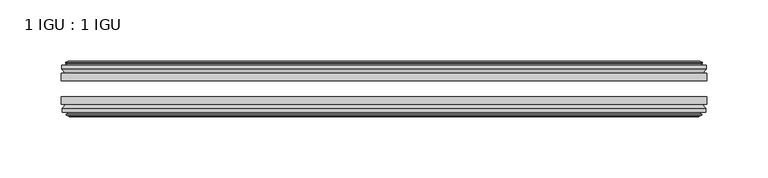
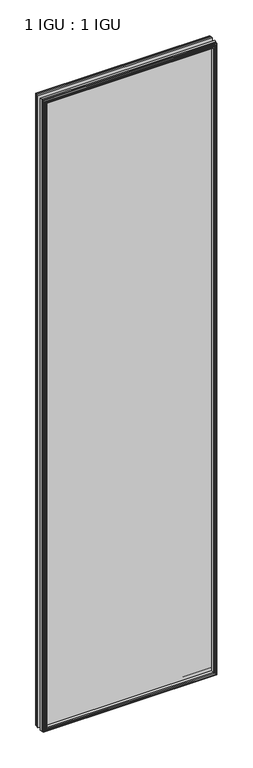
"""IFC4 building model written with IfcOpenShell, lengths in millimetres: plate geometry, 1 IGU : 1 IGU."""

from ifc_helpers import new_model, si_unit, frame, origin, place, context, project, spatial, polyline, outline, extrude, faceted_brep, source, transform, mapped, element, save


def plate_1_igu_1_igu_3f6280bd(model_context):
    return source(origin(), model_context, "Body", "SolidModel", [
        extrude(outline(polyline([(263.5250001, -19.5460937), (263.5250001, -25.8960938), (-263.5250001, -25.8960938), (-263.5250001, -19.5460937), (263.5250001, -19.5460937)])), frame((0.0, 0.0, -12.7), z_axis=(0.0, 0.0, 1.0), x_axis=(1.0, 0.0, 0.0)), (0.0, 0.0, 1.0), 2019.289595),
        extrude(outline(polyline([(-263.5250001, -44.9460938), (-263.5250001, -38.9186737), (263.5250001, -38.9186737), (263.5250001, -44.9460938), (-263.5250001, -44.9460938)])), frame((0.0, 0.0, -12.7), z_axis=(0.0, 0.0, 1.0), x_axis=(1.0, 0.0, 0.0)), (0.0, 0.0, 1.0), 2019.289595),
        faceted_brep([(-257.9370001, -53.6762907, 2001.001595), (-258.3180001, -51.2960937, 2001.382595), (-258.3180001, -51.2960937, -7.493), (-257.9370001, -53.6762907, -7.112), (-259.3525292, -53.2163575, 2002.4171241), (-259.3525292, -53.2163575, -8.5275291), (-259.3525292, -54.0175717, 2002.4171241), (-259.3525292, -54.0175717, -8.5275291), (-257.1750001, -54.7250937, 2000.239595), (-257.1750001, -54.7250937, -6.35), (-254.9974711, -54.0175717, 1998.062066), (-254.9974711, -54.0175717, -4.1724709), (-254.9974711, -53.2163575, 1998.062066), (-254.9974711, -53.2163575, -4.1724709), (-256.4130001, -53.6762907, 1999.477595), (-256.4130001, -53.6762907, -5.588), (-256.0320001, -51.2960937, 1999.096595), (-256.0320001, -51.2960937, -5.207), (-249.1072821, -44.9460937, 1992.171877), (-250.8250001, -51.2960937, 1993.889595), (-250.8250001, -51.2960937, 0.0), (-249.1072821, -44.9460937, 1.7177181), (-262.7630001, -48.3496937, 2005.827595), (-259.928658, -44.9460937, 2002.9932529), (-259.928658, -44.9460937, -9.1036578), (-262.7630001, -48.3496937, -11.938), (-262.7630001, -51.2960937, 2005.827595), (-262.7630001, -51.2960937, -11.938), (258.3180001, -51.2960938, -7.493), (257.9370001, -53.6762907, -7.112), (259.3525292, -53.2163575, -8.5275291), (259.3525292, -54.0175717, -8.5275291), (257.1750001, -54.7250937, -6.35), (254.9974711, -54.0175717, -4.1724709), (254.9974711, -53.2163575, -4.1724709), (256.4130001, -53.6762907, -5.588), (256.0320001, -51.2960937, -5.207), (250.8250001, -51.2960937, 0.0), (249.1072821, -44.9460937, 1.7177181), (259.928658, -44.9460937, -9.1036578), (262.7630001, -48.3496937, -11.938), (262.7630001, -51.2960938, -11.938), (258.3180001, -51.2960938, 2001.382595), (257.9370001, -53.6762907, 2001.001595), (259.3525292, -53.2163575, 2002.4171241), (259.3525292, -54.0175717, 2002.4171241), (257.1750001, -54.7250937, 2000.239595), (254.9974711, -54.0175717, 1998.062066), (254.9974711, -53.2163575, 1998.062066), (256.4130001, -53.6762907, 1999.477595), (256.0320001, -51.2960937, 1999.096595), (250.8250001, -51.2960937, 1993.889595), (249.1072821, -44.9460937, 1992.171877), (259.928658, -44.9460937, 2002.9932529), (262.7630001, -48.3496937, 2005.827595), (262.7630001, -51.2960938, 2005.827595)], [[[0, 1, 2, 3]], [[4, 0, 3, 5]], [[6, 4, 5, 7]], [[8, 6, 7, 9]], [[10, 8, 9, 11]], [[12, 10, 11, 13]], [[14, 12, 13, 15]], [[16, 14, 15, 17]], [[18, 19, 20, 21]], [[22, 23, 24, 25]], [[26, 22, 25, 27]], [[3, 2, 28, 29]], [[5, 3, 29, 30]], [[7, 5, 30, 31]], [[9, 7, 31, 32]], [[11, 9, 32, 33]], [[13, 11, 33, 34]], [[15, 13, 34, 35]], [[17, 15, 35, 36]], [[21, 20, 37, 38]], [[25, 24, 39, 40]], [[27, 25, 40, 41]], [[29, 28, 42, 43]], [[30, 29, 43, 44]], [[31, 30, 44, 45]], [[32, 31, 45, 46]], [[33, 32, 46, 47]], [[34, 33, 47, 48]], [[35, 34, 48, 49]], [[36, 35, 49, 50]], [[38, 37, 51, 52]], [[40, 39, 53, 54]], [[41, 40, 54, 55]], [[27, 41, 55, 26], [1, 42, 28, 2]], [[43, 42, 1, 0]], [[44, 43, 0, 4]], [[45, 44, 4, 6]], [[46, 45, 6, 8]], [[47, 46, 8, 10]], [[48, 47, 10, 12]], [[49, 48, 12, 14]], [[50, 49, 14, 16]], [[17, 36, 50, 16], [19, 51, 37, 20]], [[52, 51, 19, 18]], [[23, 53, 39, 24], [21, 38, 52, 18]], [[54, 53, 23, 22]], [[55, 54, 22, 26]]]),
        faceted_brep([(-260.449358, -19.5460937, 2003.5139529), (-263.2837001, -16.1424937, 2006.348295), (-263.2837001, -16.1424937, -12.4587), (-260.449358, -19.5460937, -9.6243578), (-251.3457001, -13.1960937, 1994.410295), (-249.6279821, -19.5460937, 1992.692577), (-249.6279821, -19.5460937, 1.1970181), (-251.3457001, -13.1960937, -0.5207), (-256.9337001, -10.8158968, 1999.998295), (-256.5527001, -13.1960937, 1999.617295), (-256.5527001, -13.1960937, -5.7277), (-256.9337001, -10.8158968, -6.1087), (-255.5181711, -11.27583, 1998.582766), (-255.5181711, -11.27583, -4.6931709), (-255.5181711, -10.4746158, 1998.582766), (-255.5181711, -10.4746158, -4.6931709), (-257.6957001, -9.7670937, 2000.760295), (-257.6957001, -9.7670937, -6.8707), (-259.8732292, -10.4746158, 2002.9378241), (-259.8732292, -10.4746158, -9.0482291), (-259.8732292, -11.27583, 2002.9378241), (-259.8732292, -11.27583, -9.0482291), (-258.4577001, -10.8158968, 2001.522295), (-258.4577001, -10.8158968, -7.6327), (-258.8387001, -13.1960937, 2001.903295), (-258.8387001, -13.1960937, -8.0137), (-263.2837001, -13.1960937, 2006.348295), (-263.2837001, -13.1960937, -12.4587), (263.2837001, -16.1424937, -12.4587), (260.449358, -19.5460937, -9.6243578), (249.6279821, -19.5460937, 1.1970181), (251.3457001, -13.1960937, -0.5207), (256.5527001, -13.1960937, -5.7277), (256.9337001, -10.8158968, -6.1087), (255.5181711, -11.27583, -4.6931709), (255.5181711, -10.4746158, -4.6931709), (257.6957001, -9.7670937, -6.8707), (259.8732292, -10.4746158, -9.0482291), (259.8732292, -11.27583, -9.0482291), (258.4577001, -10.8158968, -7.6327), (258.8387001, -13.1960937, -8.0137), (263.2837001, -13.1960937, -12.4587), (263.2837001, -16.1424937, 2006.348295), (260.449358, -19.5460937, 2003.5139529), (249.6279821, -19.5460937, 1992.692577), (251.3457001, -13.1960937, 1994.410295), (256.5527001, -13.1960937, 1999.617295), (256.9337001, -10.8158968, 1999.998295), (255.5181711, -11.27583, 1998.582766), (255.5181711, -10.4746158, 1998.582766), (257.6957001, -9.7670937, 2000.760295), (259.8732292, -10.4746158, 2002.9378241), (259.8732292, -11.27583, 2002.9378241), (258.4577001, -10.8158968, 2001.522295), (258.8387001, -13.1960937, 2001.903295), (263.2837001, -13.1960937, 2006.348295)], [[[0, 1, 2, 3]], [[4, 5, 6, 7]], [[8, 9, 10, 11]], [[12, 8, 11, 13]], [[14, 12, 13, 15]], [[16, 14, 15, 17]], [[18, 16, 17, 19]], [[20, 18, 19, 21]], [[22, 20, 21, 23]], [[24, 22, 23, 25]], [[1, 26, 27, 2]], [[3, 2, 28, 29]], [[7, 6, 30, 31]], [[11, 10, 32, 33]], [[13, 11, 33, 34]], [[15, 13, 34, 35]], [[17, 15, 35, 36]], [[19, 17, 36, 37]], [[21, 19, 37, 38]], [[23, 21, 38, 39]], [[25, 23, 39, 40]], [[2, 27, 41, 28]], [[29, 28, 42, 43]], [[31, 30, 44, 45]], [[33, 32, 46, 47]], [[34, 33, 47, 48]], [[35, 34, 48, 49]], [[36, 35, 49, 50]], [[37, 36, 50, 51]], [[38, 37, 51, 52]], [[39, 38, 52, 53]], [[40, 39, 53, 54]], [[28, 41, 55, 42]], [[43, 42, 1, 0]], [[3, 29, 43, 0], [5, 44, 30, 6]], [[45, 44, 5, 4]], [[9, 46, 32, 10], [7, 31, 45, 4]], [[47, 46, 9, 8]], [[48, 47, 8, 12]], [[49, 48, 12, 14]], [[50, 49, 14, 16]], [[51, 50, 16, 18]], [[52, 51, 18, 20]], [[53, 52, 20, 22]], [[54, 53, 22, 24]], [[26, 55, 41, 27], [25, 40, 54, 24]], [[42, 55, 26, 1]]]),
    ])


if __name__ == "__main__":
    model = new_model("IFC4")
    model_context = context("Model", 3, world=origin())
    ifc_project = project(units=[si_unit("LENGTHUNIT", "METRE", prefix="MILLI")], contexts=[model_context])
    site = spatial("IfcSite", under=ifc_project)
    building = spatial("IfcBuilding", under=site)
    placement = place(None, origin())
    plate_1_igu_1_igu_shape = plate_1_igu_1_igu_3f6280bd(model_context)
    element("IfcPlate", 1, ObjectType="1 IGU : 1 IGU", at=placement, inside=building, context=model_context, shape_type="MappedRepresentation", body=[
        mapped(plate_1_igu_1_igu_shape, transform((0.0, 0.0, 0.0), x_axis=(1.0, 0.0, 0.0), y_axis=(0.0, 1.0, 0.0), z_axis=(0.0, 0.0, 1.0))),
    ])
    save(model, "model.ifc")
